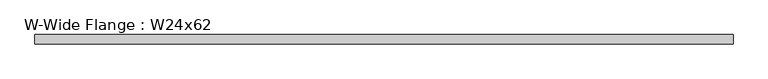
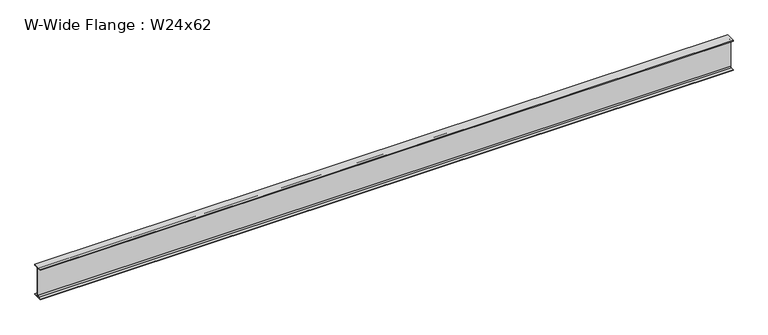
"""IFC4 building model written with IfcOpenShell, lengths in millimetres: beam geometry, W-Wide Flange : W24x62."""

from ifc_helpers import new_model, si_unit, point, frame, frame_2d, origin, place, context, project, spatial, polyline, circle_curve, trimmed, segment, composite_curve, outline, extrude, source, transform, mapped, element, save


def w_wide_flange_w24x62_cd9cefd9(model_context):
    return source(origin(), model_context, "Body", "SweptSolid", [
        extrude(outline(composite_curve([segment(polyline([(89.408, -286.004), (89.408, -300.99), (-89.408, -300.99), (-89.408, -286.004), (-28.575, -286.004)]), True, "CONTINUOUS"), segment(trimmed(circle_curve(frame_2d((-28.575, -262.89)), 23.114), [point((-28.575, -286.004))], [point((-5.461, -262.89))], True, "CARTESIAN"), True, "CONTINUOUS"), segment(polyline([(-5.461, -262.89), (-5.461, 262.89)]), True, "CONTINUOUS"), segment(trimmed(circle_curve(frame_2d((-28.575, 262.89)), 23.114), [point((-5.461, 262.89))], [point((-28.575, 286.004))], True, "CARTESIAN"), True, "CONTINUOUS"), segment(polyline([(-28.575, 286.004), (-89.408, 286.004), (-89.408, 300.99), (89.408, 300.99), (89.408, 286.004), (28.575, 286.004)]), True, "CONTINUOUS"), segment(trimmed(circle_curve(frame_2d((28.575, 262.89)), 23.114), [point((28.575, 286.004))], [point((5.461, 262.89))], True, "CARTESIAN"), True, "CONTINUOUS"), segment(polyline([(5.461, 262.89), (5.461, -262.89)]), True, "CONTINUOUS"), segment(trimmed(circle_curve(frame_2d((28.575, -262.89)), 23.114), [point((5.461, -262.89))], [point((28.575, -286.004))], True, "CARTESIAN"), True, "CONTINUOUS"), segment(polyline([(28.575, -286.004), (89.408, -286.004)]), True, "CONTINUOUS")], self_intersect=False)), frame((-6514.973, 0.0, 0.0), z_axis=(1.0, 0.0, 0.0), x_axis=(0.0, 1.0, 0.0)), (0.0, 0.0, 1.0), 13079.603),
    ])


if __name__ == "__main__":
    model = new_model("IFC4")
    model_context = context("Model", 3, world=origin())
    ifc_project = project(units=[si_unit("LENGTHUNIT", "METRE", prefix="MILLI")], contexts=[model_context])
    site = spatial("IfcSite", under=ifc_project)
    building = spatial("IfcBuilding", under=site)
    placement = place(None, origin())
    w_wide_flange_w24x62_shape = w_wide_flange_w24x62_cd9cefd9(model_context)
    element("IfcBeam", 1, ObjectType="W-Wide Flange : W24x62", at=placement, inside=building, context=model_context, shape_type="MappedRepresentation", body=[
        mapped(w_wide_flange_w24x62_shape, transform((0.0, 0.0, 0.0), x_axis=(1.0, 0.0, 0.0), y_axis=(0.0, 1.0, 0.0), z_axis=(0.0, 0.0, 1.0))),
    ])
    save(model, "model.ifc")
